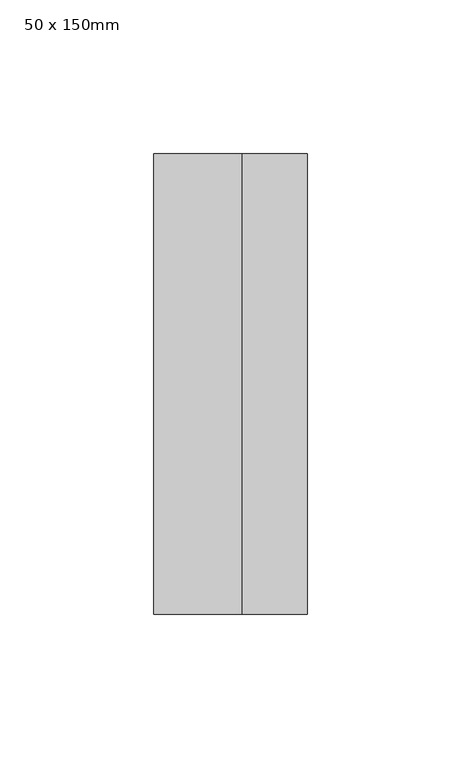
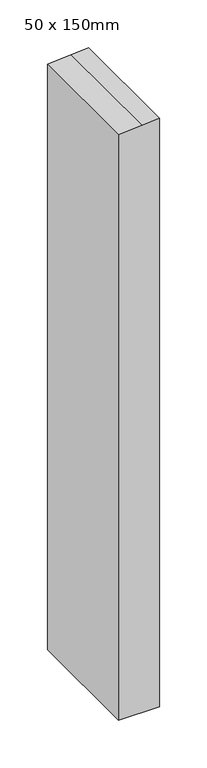
"""IFC4 building model written with IfcOpenShell, lengths in millimetres: member geometry, 50 x 150mm."""

import ifcopenshell
import ifcopenshell.guid

model = None  # the IFC model being written
_history = None  # IfcOwnerHistory: only IFC2X3 demands one
_inside = {}  # id of a spatial element -> (the spatial element, [elements in it])
_under = {}  # id of a project, library or spatial element -> (it, [spatial elements below it])
_declared = {}  # id of a project -> (the project, [libraries it declares])
_typed = {}  # id of a type object -> (the type object, [elements of that type])
_made_of = {}  # id of a material, layer set ... -> (it, [elements and type objects made of it])


def new_model(schema):
    """Start an empty IFC model of exactly this schema.

    Asked for "IFC4X3", IfcOpenShell would pick the latest addendum, in which some entities
    have other attributes; the version numbers below select the first issue.
    IFC2X3 requires an IfcOwnerHistory on every rooted entity: one is made here for all.
    """
    global model, _history
    if schema == "IFC4X3":
        model = ifcopenshell.file(schema_version=(4, 3, 0, 0))
    else:
        model = ifcopenshell.file(schema=schema)
    _inside.clear()
    _under.clear()
    _declared.clear()
    _typed.clear()
    _made_of.clear()
    _history = None
    if model.schema == "IFC2X3":
        org = make("IfcOrganization", Name="unknown")
        user = make(
            "IfcPersonAndOrganization",
            ThePerson=make("IfcPerson", FamilyName="unknown"),
            TheOrganization=org,
        )
        app = make(
            "IfcApplication",
            ApplicationDeveloper=org,
            Version="unknown",
            ApplicationFullName="unknown",
            ApplicationIdentifier="unknown",
        )
        _history = make(
            "IfcOwnerHistory",
            OwningUser=user,
            OwningApplication=app,
            ChangeAction="ADDED",
            CreationDate=0,
        )
    return model


def make(cls, **values):
    """One entity of the class cls with the attributes given. An attribute that is None is left unset."""
    return model.create_entity(
        cls, **{name: value for name, value in values.items() if value is not None}
    )


def rooted(cls, **values):
    """An entity with a GlobalId (a new one), such as an element, a storey or a relation."""
    return make(cls, GlobalId=ifcopenshell.guid.new(), OwnerHistory=_history, **values)


def si_unit(unit_type, name, prefix=None):
    """IfcSIUnit, for example si_unit("LENGTHUNIT", "METRE", prefix="MILLI")."""
    return make("IfcSIUnit", UnitType=unit_type, Prefix=prefix, Name=name)


def assignment(units):
    """IfcUnitAssignment: the units of a project."""
    return None if units is None else make("IfcUnitAssignment", Units=units)


def point(xyz):
    """IfcCartesianPoint."""
    return None if xyz is None else make("IfcCartesianPoint", Coordinates=xyz)


def direction(xyz):
    """IfcDirection."""
    return None if xyz is None else make("IfcDirection", DirectionRatios=xyz)


def frame(location, z_axis=None, x_axis=None):
    """IfcAxis2Placement3D, a coordinate frame: its origin and axes. An axis left out is left unset."""
    return make(
        "IfcAxis2Placement3D",
        Location=point(location),
        Axis=direction(z_axis),
        RefDirection=direction(x_axis),
    )


def origin():
    """The frame at (0, 0, 0) with its axes left unset."""
    return frame((0.0, 0.0, 0.0))


def place(relative_to, where):
    """IfcLocalPlacement: puts the frame where relative to a parent placement (None: the world)."""
    return make(
        "IfcLocalPlacement", PlacementRelTo=relative_to, RelativePlacement=where
    )


def context(
    kind, dimensions, precision=None, world=None, true_north=None, identifier=None
):
    """IfcGeometricRepresentationContext, for example the 3D "Model" context."""
    return make(
        "IfcGeometricRepresentationContext",
        ContextIdentifier=identifier,
        ContextType=kind,
        CoordinateSpaceDimension=dimensions,
        Precision=precision,
        WorldCoordinateSystem=world,
        TrueNorth=true_north,
    )


def project(units=None, contexts=None):
    """IfcProject with its units and contexts."""
    return rooted(
        "IfcProject",
        Name="project",
        RepresentationContexts=contexts,
        UnitsInContext=assignment(units),
    )


def spatial(cls, under=None, at=None, **own):
    """A site, building, storey or space (cls), placed at a placement, below another one or the project."""
    s = rooted(cls, ObjectPlacement=at, **own)
    if under is not None:
        _under.setdefault(under.id(), (under, []))[1].append(s)
    return s


def polyline(points):
    """IfcPolyline through the points."""
    return make("IfcPolyline", Points=[point(p) for p in points])


def outline(outer, holes=None, kind="AREA"):
    """IfcArbitraryClosedProfileDef: a profile drawn as a closed curve; with holes, ...WithVoids."""
    if holes is None:
        return make("IfcArbitraryClosedProfileDef", ProfileType=kind, OuterCurve=outer)
    return make(
        "IfcArbitraryProfileDefWithVoids",
        ProfileType=kind,
        OuterCurve=outer,
        InnerCurves=holes,
    )


def extrude(swept, where, along, depth):
    """IfcExtrudedAreaSolid: the profile swept, set in the frame where, extruded along a direction by depth."""
    return make(
        "IfcExtrudedAreaSolid",
        SweptArea=swept,
        Position=where,
        ExtrudedDirection=direction(along),
        Depth=depth,
    )


def shape(context_of_items, identifier, shape_type, items):
    """IfcShapeRepresentation: the items that make up one representation, for example the "Body"."""
    return make(
        "IfcShapeRepresentation",
        ContextOfItems=context_of_items,
        RepresentationIdentifier=identifier,
        RepresentationType=shape_type,
        Items=items,
    )


def source(mapping_origin, context_of_items, identifier, shape_type, items):
    """IfcRepresentationMap: a shape defined once, which mapped items show again and again."""
    return make(
        "IfcRepresentationMap",
        MappingOrigin=mapping_origin,
        MappedRepresentation=shape(context_of_items, identifier, shape_type, items),
    )


def transform(
    local_origin,
    x_axis=None,
    y_axis=None,
    z_axis=None,
    scale=None,
    scale2=None,
    scale3=None,
    uniform=True,
):
    """IfcCartesianTransformationOperator3D, or its non-uniform kind. x_axis, y_axis, z_axis: its Axis1, 2, 3."""
    if uniform:
        return make(
            "IfcCartesianTransformationOperator3D",
            Axis1=direction(x_axis),
            Axis2=direction(y_axis),
            LocalOrigin=point(local_origin),
            Scale=scale,
            Axis3=direction(z_axis),
        )
    return make(
        "IfcCartesianTransformationOperator3DnonUniform",
        Axis1=direction(x_axis),
        Axis2=direction(y_axis),
        LocalOrigin=point(local_origin),
        Scale=scale,
        Axis3=direction(z_axis),
        Scale2=scale2,
        Scale3=scale3,
    )


def mapped(mapping_source, mapping_target):
    """IfcMappedItem: shows the shape of a source again, moved by a transform."""
    return make(
        "IfcMappedItem", MappingSource=mapping_source, MappingTarget=mapping_target
    )


def made_of(thing, what):
    """Note that an element or type object is made of a material, layer set ...; save() writes the relation."""
    if what is not None:
        _made_of.setdefault(what.id(), (what, []))[1].append(thing)
    return thing


def element(
    cls,
    number,
    at=None,
    inside=None,
    cuts=None,
    type_object=None,
    material=None,
    context=None,
    identifier="Body",
    shape_type=None,
    held_by="IfcProductDefinitionShape",
    body=None,
    shapes=None,
    **own,
):
    """One element of the class cls, such as IfcWall. Its Tag is "e" and its number.

    at: its placement. inside: the storey or other place that contains it. cuts: it is an
    opening in that element (IfcRelVoidsElement). A single representation is given by context,
    identifier, shape_type and body (its items); several are given by shapes. held_by: the class
    of the entity that holds the representations. save() writes the other relations.
    """
    e = rooted(cls, Tag="e%d" % number, ObjectPlacement=at, **own)
    if body is not None:
        shapes = [shape(context, identifier, shape_type, body)]
    if shapes is not None:
        e.Representation = make(held_by, Representations=shapes)
    if inside is not None:
        _inside.setdefault(inside.id(), (inside, []))[1].append(e)
    if cuts is not None:
        rooted(
            "IfcRelVoidsElement", RelatingBuildingElement=cuts, RelatedOpeningElement=e
        )
    if type_object is not None:
        _typed.setdefault(type_object.id(), (type_object, []))[1].append(e)
    return made_of(e, material)


def aggregate(whole, parts):
    """IfcRelAggregates: a whole, such as a stair, and the parts it consists of."""
    return rooted("IfcRelAggregates", RelatingObject=whole, RelatedObjects=parts)


def save(model, path):
    """Write the relations noted so far, then the file.

    IfcRelAggregates (storeys below a building ...), IfcRelContainedInSpatialStructure (elements
    in a storey), IfcRelDefinesByType, IfcRelAssociatesMaterial and IfcRelDeclares: one each for
    every whole, place, type object, material and project.
    """
    for whole, parts in _under.values():
        aggregate(whole, parts)
    for where, things in _inside.values():
        rooted(
            "IfcRelContainedInSpatialStructure",
            RelatedElements=things,
            RelatingStructure=where,
        )
    for kind, things in _typed.values():
        rooted("IfcRelDefinesByType", RelatedObjects=things, RelatingType=kind)
    for what, things in _made_of.values():
        rooted("IfcRelAssociatesMaterial", RelatedObjects=things, RelatingMaterial=what)
    for by, libraries in _declared.values():
        rooted("IfcRelDeclares", RelatingContext=by, RelatedDefinitions=libraries)
    model.write(path)


def member_50_x_150mm_8297bc2c(model_context):
    return source(origin(), model_context, "Body", "SweptSolid", [
        extrude(outline(polyline([(-48.2052758, 25.0), (-49.8492134, 3.8801968), (-52.0972097, -25.0), (-804.2270843, -25.0), (-804.2270843, 25.0), (-48.2052758, 25.0)])), frame((0.0, -75.0, 0.0), z_axis=(0.0, 1.0, 0.0), x_axis=(0.0, 0.0, 1.0)), (0.0, 0.0, 1.0), 150.0),
    ])


if __name__ == "__main__":
    model = new_model("IFC4")
    model_context = context("Model", 3, world=origin())
    ifc_project = project(units=[si_unit("LENGTHUNIT", "METRE", prefix="MILLI")], contexts=[model_context])
    site = spatial("IfcSite", under=ifc_project)
    building = spatial("IfcBuilding", under=site)
    placement = place(None, origin())
    member_50_x_150mm_shape = member_50_x_150mm_8297bc2c(model_context)
    element("IfcMember", 1, ObjectType="50 x 150mm", at=placement, inside=building, context=model_context, shape_type="MappedRepresentation", body=[
        mapped(member_50_x_150mm_shape, transform((0.0, 0.0, 0.0), x_axis=(1.0, 0.0, 0.0), y_axis=(0.0, 1.0, 0.0), z_axis=(0.0, 0.0, 1.0))),
    ])
    save(model, "model.ifc")
